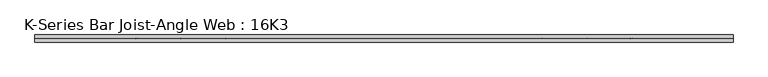
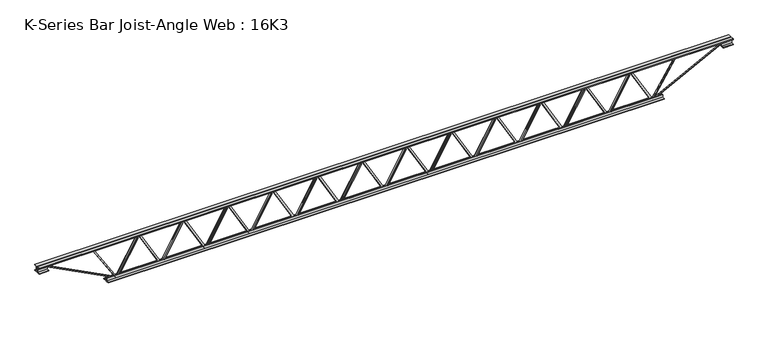
"""IFC4 building model written with IfcOpenShell, lengths in millimetres: beam geometry, K-Series Bar Joist-Angle Web : 16K3."""

from ifc_helpers import new_model, si_unit, frame, origin, place, context, project, spatial, polyline, outline, extrude, faceted_brep, source, transform, mapped, element, save


def k_series_bar_joist_angle_web_16k3_f30d6e02(model_context):
    return source(origin(), model_context, "Body", "SolidModel", [
        extrude(outline(polyline([(-4.7625, 4.7624999), (-4.7625, 0.0), (-17.4625, 0.0), (-17.4625, 4.7624999), (-4.7625, 4.7624999)])), frame((2270.0582159, 0.0, -165.1), z_axis=(-0.4957491922184158, 0.0, 0.8684657381928134), x_axis=(0.0, -1.0, 0.0)), (0.0, 0.0, 1.0), 380.2107389),
        extrude(outline(polyline([(-200.025, 2301.875), (-180.975, 2301.875), (-180.975, 2301.05543), (200.025, 2083.56793), (200.025, 2065.3375), (180.975, 2065.3375), (180.975, 2072.50707), (-200.025, 2289.99457), (-200.025, 2301.875)])), frame((0.0, 0.0, 0.0), z_axis=(0.0, 1.0, 0.0), x_axis=(0.0, 0.0, 1.0)), (0.0, 0.0, 1.0), 4.7625),
        faceted_brep([(1841.5, 0.0, -180.975), (1841.5, 0.0, -200.025), (1841.5, -4.7625, -200.025), (1841.5, -4.7625, -180.975), (1842.31957, 0.0, -180.975), (2059.80707, 0.0, 200.025), (2078.0375, 0.0, 200.025), (2078.0375, 0.0, 180.975), (2070.86793, 0.0, 180.975), (1853.38043, 0.0, -200.025), (1853.38043, -4.7625, -200.025), (1873.3167841, -4.7625, -165.1), (1869.1807161, -4.7625, -162.7389945), (2057.6698827, -4.7625, 167.4610055), (2061.8059508, -4.7625, 165.1), (2070.86793, -4.7625, 180.975), (2078.0375, -4.7625, 180.975), (2078.0375, -4.7625, 200.025), (2059.80707, -4.7625, 200.025), (1842.31957, -4.7625, -180.975), (2061.8059508, -17.4625, 165.1), (1873.3167841, -17.4625, -165.1), (1869.1807161, -17.4625, -162.7389945), (2057.6698827, -17.4625, 167.4610055)], [[[0, 1, 2, 3]], [[1, 0, 4, 5, 6, 7, 8, 9]], [[2, 1, 9, 10]], [[3, 2, 10, 11, 12, 13, 14, 15, 16, 17, 18, 19]], [[0, 3, 19, 4]], [[9, 8, 15, 14, 20, 21, 11, 10]], [[5, 4, 19, 18]], [[7, 6, 17, 16]], [[8, 7, 16, 15]], [[6, 5, 18, 17]], [[21, 22, 12, 11]], [[20, 14, 13, 23]], [[22, 21, 20, 23]], [[12, 22, 23, 13]]]),
        extrude(outline(polyline([(-4.7625, 4.7624999), (-4.7625, 0.0), (-17.4625, 0.0), (-17.4625, 4.7624999), (-4.7625, 4.7624999)])), frame((1809.6832159, 0.0, -165.1), z_axis=(-0.4957491922184158, 0.0, 0.8684657381928134), x_axis=(0.0, -1.0, 0.0)), (0.0, 0.0, 1.0), 380.2107389),
        extrude(outline(polyline([(-200.025, 1841.5), (-180.975, 1841.5), (-180.975, 1840.68043), (200.025, 1623.19293), (200.025, 1604.9625), (180.975, 1604.9625), (180.975, 1612.13207), (-200.025, 1829.61957), (-200.025, 1841.5)])), frame((0.0, 0.0, 0.0), z_axis=(0.0, 1.0, 0.0), x_axis=(0.0, 0.0, 1.0)), (0.0, 0.0, 1.0), 4.7625),
        faceted_brep([(1381.125, 0.0, -180.975), (1381.125, 0.0, -200.025), (1381.125, -4.7625, -200.025), (1381.125, -4.7625, -180.975), (1381.94457, 0.0, -180.975), (1599.43207, 0.0, 200.025), (1617.6625, 0.0, 200.025), (1617.6625, 0.0, 180.975), (1610.49293, 0.0, 180.975), (1393.00543, 0.0, -200.025), (1393.00543, -4.7625, -200.025), (1412.9417841, -4.7625, -165.1), (1408.8057161, -4.7625, -162.7389945), (1597.2948827, -4.7625, 167.4610055), (1601.4309508, -4.7625, 165.1), (1610.49293, -4.7625, 180.975), (1617.6625, -4.7625, 180.975), (1617.6625, -4.7625, 200.025), (1599.43207, -4.7625, 200.025), (1381.94457, -4.7625, -180.975), (1601.4309508, -17.4625, 165.1), (1412.9417841, -17.4625, -165.1), (1408.8057161, -17.4625, -162.7389945), (1597.2948827, -17.4625, 167.4610055)], [[[0, 1, 2, 3]], [[1, 0, 4, 5, 6, 7, 8, 9]], [[2, 1, 9, 10]], [[3, 2, 10, 11, 12, 13, 14, 15, 16, 17, 18, 19]], [[0, 3, 19, 4]], [[9, 8, 15, 14, 20, 21, 11, 10]], [[5, 4, 19, 18]], [[7, 6, 17, 16]], [[8, 7, 16, 15]], [[6, 5, 18, 17]], [[21, 22, 12, 11]], [[20, 14, 13, 23]], [[22, 21, 20, 23]], [[12, 22, 23, 13]]]),
        extrude(outline(polyline([(-4.7625, 4.7624999), (-4.7625, 0.0), (-17.4625, 0.0), (-17.4625, 4.7624999), (-4.7625, 4.7624999)])), frame((1349.3082159, 0.0, -165.1), z_axis=(-0.4957491922184158, 0.0, 0.8684657381928134), x_axis=(0.0, -1.0, 0.0)), (0.0, 0.0, 1.0), 380.2107389),
        extrude(outline(polyline([(-200.025, 1381.125), (-180.975, 1381.125), (-180.975, 1380.30543), (200.025, 1162.81793), (200.025, 1144.5875), (180.975, 1144.5875), (180.975, 1151.75707), (-200.025, 1369.24457), (-200.025, 1381.125)])), frame((0.0, 0.0, 0.0), z_axis=(0.0, 1.0, 0.0), x_axis=(0.0, 0.0, 1.0)), (0.0, 0.0, 1.0), 4.7625),
        faceted_brep([(920.75, 0.0, -180.975), (920.75, 0.0, -200.025), (920.75, -4.7625, -200.025), (920.75, -4.7625, -180.975), (921.56957, 0.0, -180.975), (1139.05707, 0.0, 200.025), (1157.2875, 0.0, 200.025), (1157.2875, 0.0, 180.975), (1150.11793, 0.0, 180.975), (932.63043, 0.0, -200.025), (932.63043, -4.7625, -200.025), (952.5667841, -4.7625, -165.1), (948.4307161, -4.7625, -162.7389945), (1136.9198827, -4.7625, 167.4610055), (1141.0559508, -4.7625, 165.1), (1150.11793, -4.7625, 180.975), (1157.2875, -4.7625, 180.975), (1157.2875, -4.7625, 200.025), (1139.05707, -4.7625, 200.025), (921.56957, -4.7625, -180.975), (1141.0559508, -17.4625, 165.1), (952.5667841, -17.4625, -165.1), (948.4307161, -17.4625, -162.7389945), (1136.9198827, -17.4625, 167.4610055)], [[[0, 1, 2, 3]], [[1, 0, 4, 5, 6, 7, 8, 9]], [[2, 1, 9, 10]], [[3, 2, 10, 11, 12, 13, 14, 15, 16, 17, 18, 19]], [[0, 3, 19, 4]], [[9, 8, 15, 14, 20, 21, 11, 10]], [[5, 4, 19, 18]], [[7, 6, 17, 16]], [[8, 7, 16, 15]], [[6, 5, 18, 17]], [[21, 22, 12, 11]], [[20, 14, 13, 23]], [[22, 21, 20, 23]], [[12, 22, 23, 13]]]),
        extrude(outline(polyline([(-4.7625, 4.7624999), (-4.7625, 0.0), (-17.4625, 0.0), (-17.4625, 4.7624999), (-4.7625, 4.7624999)])), frame((888.9332159, 0.0, -165.1), z_axis=(-0.4957491922184158, 0.0, 0.8684657381928134), x_axis=(0.0, -1.0, 0.0)), (0.0, 0.0, 1.0), 380.2107389),
        extrude(outline(polyline([(-200.025, 920.75), (-180.975, 920.75), (-180.975, 919.93043), (200.025, 702.44293), (200.025, 684.2125), (180.975, 684.2125), (180.975, 691.38207), (-200.025, 908.86957), (-200.025, 920.75)])), frame((0.0, 0.0, 0.0), z_axis=(0.0, 1.0, 0.0), x_axis=(0.0, 0.0, 1.0)), (0.0, 0.0, 1.0), 4.7625),
        faceted_brep([(460.375, 0.0, -180.975), (460.375, 0.0, -200.025), (460.375, -4.7625, -200.025), (460.375, -4.7625, -180.975), (461.19457, 0.0, -180.975), (678.68207, 0.0, 200.025), (696.9125, 0.0, 200.025), (696.9125, 0.0, 180.975), (689.74293, 0.0, 180.975), (472.25543, 0.0, -200.025), (472.25543, -4.7625, -200.025), (492.1917841, -4.7625, -165.1), (488.0557161, -4.7625, -162.7389945), (676.5448827, -4.7625, 167.4610055), (680.6809508, -4.7625, 165.1), (689.74293, -4.7625, 180.975), (696.9125, -4.7625, 180.975), (696.9125, -4.7625, 200.025), (678.68207, -4.7625, 200.025), (461.19457, -4.7625, -180.975), (680.6809508, -17.4625, 165.1), (492.1917841, -17.4625, -165.1), (488.0557161, -17.4625, -162.7389945), (676.5448827, -17.4625, 167.4610055)], [[[0, 1, 2, 3]], [[1, 0, 4, 5, 6, 7, 8, 9]], [[2, 1, 9, 10]], [[3, 2, 10, 11, 12, 13, 14, 15, 16, 17, 18, 19]], [[0, 3, 19, 4]], [[9, 8, 15, 14, 20, 21, 11, 10]], [[5, 4, 19, 18]], [[7, 6, 17, 16]], [[8, 7, 16, 15]], [[6, 5, 18, 17]], [[21, 22, 12, 11]], [[20, 14, 13, 23]], [[22, 21, 20, 23]], [[12, 22, 23, 13]]]),
        extrude(outline(polyline([(-4.7625, 4.7624999), (-4.7625, 0.0), (-17.4625, 0.0), (-17.4625, 4.7624999), (-4.7625, 4.7624999)])), frame((428.5582159, 0.0, -165.1), z_axis=(-0.4957491922184158, 0.0, 0.8684657381928134), x_axis=(0.0, -1.0, 0.0)), (0.0, 0.0, 1.0), 380.2107389),
        extrude(outline(polyline([(-200.025, 460.375), (-180.975, 460.375), (-180.975, 459.55543), (200.025, 242.06793), (200.025, 223.8375), (180.975, 223.8375), (180.975, 231.00707), (-200.025, 448.49457), (-200.025, 460.375)])), frame((0.0, 0.0, 0.0), z_axis=(0.0, 1.0, 0.0), x_axis=(0.0, 0.0, 1.0)), (0.0, 0.0, 1.0), 4.7625),
        faceted_brep([(0.0, 0.0, -180.975), (0.0, 0.0, -200.025), (0.0, -4.7625, -200.025), (0.0, -4.7625, -180.975), (0.81957, 0.0, -180.975), (218.30707, 0.0, 200.025), (236.5375, 0.0, 200.025), (236.5375, 0.0, 180.975), (229.36793, 0.0, 180.975), (11.88043, 0.0, -200.025), (11.88043, -4.7625, -200.025), (31.8167841, -4.7625, -165.1), (27.6807161, -4.7625, -162.7389945), (216.1698827, -4.7625, 167.4610055), (220.3059508, -4.7625, 165.1), (229.36793, -4.7625, 180.975), (236.5375, -4.7625, 180.975), (236.5375, -4.7625, 200.025), (218.30707, -4.7625, 200.025), (0.81957, -4.7625, -180.975), (220.3059508, -17.4625, 165.1), (31.8167841, -17.4625, -165.1), (27.6807161, -17.4625, -162.7389945), (216.1698827, -17.4625, 167.4610055)], [[[0, 1, 2, 3]], [[1, 0, 4, 5, 6, 7, 8, 9]], [[2, 1, 9, 10]], [[3, 2, 10, 11, 12, 13, 14, 15, 16, 17, 18, 19]], [[0, 3, 19, 4]], [[9, 8, 15, 14, 20, 21, 11, 10]], [[5, 4, 19, 18]], [[7, 6, 17, 16]], [[8, 7, 16, 15]], [[6, 5, 18, 17]], [[21, 22, 12, 11]], [[20, 14, 13, 23]], [[22, 21, 20, 23]], [[12, 22, 23, 13]]]),
        extrude(outline(polyline([(-4.7625, 4.7624999), (-4.7625, 0.0), (-17.4625, 0.0), (-17.4625, 4.7624999), (-4.7625, 4.7624999)])), frame((-31.8167841, 0.0, -165.1), z_axis=(-0.4957491922184158, 0.0, 0.8684657381928134), x_axis=(0.0, -1.0, 0.0)), (0.0, 0.0, 1.0), 380.2107389),
        extrude(outline(polyline([(-200.025, 0.0), (-180.975, 0.0), (-180.975, -0.81957), (200.025, -218.30707), (200.025, -236.5375), (180.975, -236.5375), (180.975, -229.36793), (-200.025, -11.88043), (-200.025, 0.0)])), frame((0.0, 0.0, 0.0), z_axis=(0.0, 1.0, 0.0), x_axis=(0.0, 0.0, 1.0)), (0.0, 0.0, 1.0), 4.7625),
        faceted_brep([(-460.375, 0.0, -180.975), (-460.375, 0.0, -200.025), (-460.375, -4.7625, -200.025), (-460.375, -4.7625, -180.975), (-459.55543, 0.0, -180.975), (-242.06793, 0.0, 200.025), (-223.8375, 0.0, 200.025), (-223.8375, 0.0, 180.975), (-231.00707, 0.0, 180.975), (-448.49457, 0.0, -200.025), (-448.49457, -4.7625, -200.025), (-428.5582159, -4.7625, -165.1), (-432.6942839, -4.7625, -162.7389945), (-244.2051173, -4.7625, 167.4610055), (-240.0690492, -4.7625, 165.1), (-231.00707, -4.7625, 180.975), (-223.8375, -4.7625, 180.975), (-223.8375, -4.7625, 200.025), (-242.06793, -4.7625, 200.025), (-459.55543, -4.7625, -180.975), (-240.0690492, -17.4625, 165.1), (-428.5582159, -17.4625, -165.1), (-432.6942839, -17.4625, -162.7389945), (-244.2051173, -17.4625, 167.4610055)], [[[0, 1, 2, 3]], [[1, 0, 4, 5, 6, 7, 8, 9]], [[2, 1, 9, 10]], [[3, 2, 10, 11, 12, 13, 14, 15, 16, 17, 18, 19]], [[0, 3, 19, 4]], [[9, 8, 15, 14, 20, 21, 11, 10]], [[5, 4, 19, 18]], [[7, 6, 17, 16]], [[8, 7, 16, 15]], [[6, 5, 18, 17]], [[21, 22, 12, 11]], [[20, 14, 13, 23]], [[22, 21, 20, 23]], [[12, 22, 23, 13]]]),
        extrude(outline(polyline([(-4.7625, 4.7624999), (-4.7625, 0.0), (-17.4625, 0.0), (-17.4625, 4.7624999), (-4.7625, 4.7624999)])), frame((-492.1917841, 0.0, -165.1), z_axis=(-0.4957491922184158, 0.0, 0.8684657381928134), x_axis=(0.0, -1.0, 0.0)), (0.0, 0.0, 1.0), 380.2107389),
        extrude(outline(polyline([(-200.025, -460.375), (-180.975, -460.375), (-180.975, -461.19457), (200.025, -678.68207), (200.025, -696.9125), (180.975, -696.9125), (180.975, -689.74293), (-200.025, -472.25543), (-200.025, -460.375)])), frame((0.0, 0.0, 0.0), z_axis=(0.0, 1.0, 0.0), x_axis=(0.0, 0.0, 1.0)), (0.0, 0.0, 1.0), 4.7625),
        faceted_brep([(-920.75, 0.0, -180.975), (-920.75, 0.0, -200.025), (-920.75, -4.7625, -200.025), (-920.75, -4.7625, -180.975), (-919.93043, 0.0, -180.975), (-702.44293, 0.0, 200.025), (-684.2125, 0.0, 200.025), (-684.2125, 0.0, 180.975), (-691.38207, 0.0, 180.975), (-908.86957, 0.0, -200.025), (-908.86957, -4.7625, -200.025), (-888.9332159, -4.7625, -165.1), (-893.0692839, -4.7625, -162.7389945), (-704.5801173, -4.7625, 167.4610055), (-700.4440492, -4.7625, 165.1), (-691.38207, -4.7625, 180.975), (-684.2125, -4.7625, 180.975), (-684.2125, -4.7625, 200.025), (-702.44293, -4.7625, 200.025), (-919.93043, -4.7625, -180.975), (-700.4440492, -17.4625, 165.1), (-888.9332159, -17.4625, -165.1), (-893.0692839, -17.4625, -162.7389945), (-704.5801173, -17.4625, 167.4610055)], [[[0, 1, 2, 3]], [[1, 0, 4, 5, 6, 7, 8, 9]], [[2, 1, 9, 10]], [[3, 2, 10, 11, 12, 13, 14, 15, 16, 17, 18, 19]], [[0, 3, 19, 4]], [[9, 8, 15, 14, 20, 21, 11, 10]], [[5, 4, 19, 18]], [[7, 6, 17, 16]], [[8, 7, 16, 15]], [[6, 5, 18, 17]], [[21, 22, 12, 11]], [[20, 14, 13, 23]], [[22, 21, 20, 23]], [[12, 22, 23, 13]]]),
        extrude(outline(polyline([(-4.7625, 4.7624999), (-4.7625, 0.0), (-17.4625, 0.0), (-17.4625, 4.7624999), (-4.7625, 4.7624999)])), frame((-952.5667841, 0.0, -165.1), z_axis=(-0.4957491922184158, 0.0, 0.8684657381928134), x_axis=(0.0, -1.0, 0.0)), (0.0, 0.0, 1.0), 380.2107389),
        extrude(outline(polyline([(-200.025, -920.75), (-180.975, -920.75), (-180.975, -921.56957), (200.025, -1139.05707), (200.025, -1157.2875), (180.975, -1157.2875), (180.975, -1150.11793), (-200.025, -932.63043), (-200.025, -920.75)])), frame((0.0, 0.0, 0.0), z_axis=(0.0, 1.0, 0.0), x_axis=(0.0, 0.0, 1.0)), (0.0, 0.0, 1.0), 4.7625),
        faceted_brep([(-1381.125, 0.0, -180.975), (-1381.125, 0.0, -200.025), (-1381.125, -4.7625, -200.025), (-1381.125, -4.7625, -180.975), (-1380.30543, 0.0, -180.975), (-1162.81793, 0.0, 200.025), (-1144.5875, 0.0, 200.025), (-1144.5875, 0.0, 180.975), (-1151.75707, 0.0, 180.975), (-1369.24457, 0.0, -200.025), (-1369.24457, -4.7625, -200.025), (-1349.3082159, -4.7625, -165.1), (-1353.4442839, -4.7625, -162.7389945), (-1164.9551173, -4.7625, 167.4610055), (-1160.8190492, -4.7625, 165.1), (-1151.75707, -4.7625, 180.975), (-1144.5875, -4.7625, 180.975), (-1144.5875, -4.7625, 200.025), (-1162.81793, -4.7625, 200.025), (-1380.30543, -4.7625, -180.975), (-1160.8190492, -17.4625, 165.1), (-1349.3082159, -17.4625, -165.1), (-1353.4442839, -17.4625, -162.7389945), (-1164.9551173, -17.4625, 167.4610055)], [[[0, 1, 2, 3]], [[1, 0, 4, 5, 6, 7, 8, 9]], [[2, 1, 9, 10]], [[3, 2, 10, 11, 12, 13, 14, 15, 16, 17, 18, 19]], [[0, 3, 19, 4]], [[9, 8, 15, 14, 20, 21, 11, 10]], [[5, 4, 19, 18]], [[7, 6, 17, 16]], [[8, 7, 16, 15]], [[6, 5, 18, 17]], [[21, 22, 12, 11]], [[20, 14, 13, 23]], [[22, 21, 20, 23]], [[12, 22, 23, 13]]]),
        extrude(outline(polyline([(-4.7625, 4.7624999), (-4.7625, 0.0), (-17.4625, 0.0), (-17.4625, 4.7624999), (-4.7625, 4.7624999)])), frame((-1412.9417841, 0.0, -165.1), z_axis=(-0.4957491922184158, 0.0, 0.8684657381928134), x_axis=(0.0, -1.0, 0.0)), (0.0, 0.0, 1.0), 380.2107389),
        extrude(outline(polyline([(-200.025, -1381.125), (-180.975, -1381.125), (-180.975, -1381.94457), (200.025, -1599.43207), (200.025, -1617.6625), (180.975, -1617.6625), (180.975, -1610.49293), (-200.025, -1393.00543), (-200.025, -1381.125)])), frame((0.0, 0.0, 0.0), z_axis=(0.0, 1.0, 0.0), x_axis=(0.0, 0.0, 1.0)), (0.0, 0.0, 1.0), 4.7625),
        faceted_brep([(-1841.5, 0.0, -180.975), (-1841.5, 0.0, -200.025), (-1841.5, -4.7625, -200.025), (-1841.5, -4.7625, -180.975), (-1840.68043, 0.0, -180.975), (-1623.19293, 0.0, 200.025), (-1604.9625, 0.0, 200.025), (-1604.9625, 0.0, 180.975), (-1612.13207, 0.0, 180.975), (-1829.61957, 0.0, -200.025), (-1829.61957, -4.7625, -200.025), (-1809.6832159, -4.7625, -165.1), (-1813.8192839, -4.7625, -162.7389945), (-1625.3301173, -4.7625, 167.4610055), (-1621.1940492, -4.7625, 165.1), (-1612.13207, -4.7625, 180.975), (-1604.9625, -4.7625, 180.975), (-1604.9625, -4.7625, 200.025), (-1623.19293, -4.7625, 200.025), (-1840.68043, -4.7625, -180.975), (-1621.1940492, -17.4625, 165.1), (-1809.6832159, -17.4625, -165.1), (-1813.8192839, -17.4625, -162.7389945), (-1625.3301173, -17.4625, 167.4610055)], [[[0, 1, 2, 3]], [[1, 0, 4, 5, 6, 7, 8, 9]], [[2, 1, 9, 10]], [[3, 2, 10, 11, 12, 13, 14, 15, 16, 17, 18, 19]], [[0, 3, 19, 4]], [[9, 8, 15, 14, 20, 21, 11, 10]], [[5, 4, 19, 18]], [[7, 6, 17, 16]], [[8, 7, 16, 15]], [[6, 5, 18, 17]], [[21, 22, 12, 11]], [[20, 14, 13, 23]], [[22, 21, 20, 23]], [[12, 22, 23, 13]]]),
        extrude(outline(polyline([(-4.7625, 4.7624999), (-4.7625, 0.0), (-17.4625, 0.0), (-17.4625, 4.7624999), (-4.7625, 4.7624999)])), frame((-1873.3167841, 0.0, -165.1), z_axis=(-0.4957491922184158, 0.0, 0.8684657381928134), x_axis=(0.0, -1.0, 0.0)), (0.0, 0.0, 1.0), 380.2107389),
        extrude(outline(polyline([(-200.025, -1841.5), (-180.975, -1841.5), (-180.975, -1842.31957), (200.025, -2059.80707), (200.025, -2078.0375), (180.975, -2078.0375), (180.975, -2070.86793), (-200.025, -1853.38043), (-200.025, -1841.5)])), frame((0.0, 0.0, 0.0), z_axis=(0.0, 1.0, 0.0), x_axis=(0.0, 0.0, 1.0)), (0.0, 0.0, 1.0), 4.7625),
        faceted_brep([(-2301.875, 0.0, -180.975), (-2301.875, 0.0, -200.025), (-2301.875, -4.7625, -200.025), (-2301.875, -4.7625, -180.975), (-2301.05543, 0.0, -180.975), (-2083.56793, 0.0, 200.025), (-2065.3375, 0.0, 200.025), (-2065.3375, 0.0, 180.975), (-2072.50707, 0.0, 180.975), (-2289.99457, 0.0, -200.025), (-2289.99457, -4.7625, -200.025), (-2270.0582159, -4.7625, -165.1), (-2274.1942839, -4.7625, -162.7389945), (-2085.7051173, -4.7625, 167.4610055), (-2081.5690492, -4.7625, 165.1), (-2072.50707, -4.7625, 180.975), (-2065.3375, -4.7625, 180.975), (-2065.3375, -4.7625, 200.025), (-2083.56793, -4.7625, 200.025), (-2301.05543, -4.7625, -180.975), (-2081.5690492, -17.4625, 165.1), (-2270.0582159, -17.4625, -165.1), (-2274.1942839, -17.4625, -162.7389945), (-2085.7051173, -17.4625, 167.4610055)], [[[0, 1, 2, 3]], [[1, 0, 4, 5, 6, 7, 8, 9]], [[2, 1, 9, 10]], [[3, 2, 10, 11, 12, 13, 14, 15, 16, 17, 18, 19]], [[0, 3, 19, 4]], [[9, 8, 15, 14, 20, 21, 11, 10]], [[5, 4, 19, 18]], [[7, 6, 17, 16]], [[8, 7, 16, 15]], [[6, 5, 18, 17]], [[21, 22, 12, 11]], [[20, 14, 13, 23]], [[22, 21, 20, 23]], [[12, 22, 23, 13]]]),
        extrude(outline(polyline([(-4.7625, 4.7624999), (-4.7625, 0.0), (-17.4625, 0.0), (-17.4625, 4.7624999), (-4.7625, 4.7624999)])), frame((2730.4332159, 0.0, -165.1), z_axis=(-0.4957491922184158, 0.0, 0.8684657381928134), x_axis=(0.0, -1.0, 0.0)), (0.0, 0.0, 1.0), 380.2107389),
        extrude(outline(polyline([(-200.025, 2762.25), (-180.975, 2762.25), (-180.975, 2761.43043), (200.025, 2543.94293), (200.025, 2525.7125), (180.975, 2525.7125), (180.975, 2532.88207), (-200.025, 2750.36957), (-200.025, 2762.25)])), frame((0.0, 0.0, 0.0), z_axis=(0.0, 1.0, 0.0), x_axis=(0.0, 0.0, 1.0)), (0.0, 0.0, 1.0), 4.7625),
        faceted_brep([(2301.875, 0.0, -180.975), (2301.875, 0.0, -200.025), (2301.875, -4.7625, -200.025), (2301.875, -4.7625, -180.975), (2302.69457, 0.0, -180.975), (2520.18207, 0.0, 200.025), (2538.4125, 0.0, 200.025), (2538.4125, 0.0, 180.975), (2531.24293, 0.0, 180.975), (2313.75543, 0.0, -200.025), (2313.75543, -4.7625, -200.025), (2333.6917841, -4.7625, -165.1), (2329.5557161, -4.7625, -162.7389945), (2518.0448827, -4.7625, 167.4610055), (2522.1809508, -4.7625, 165.1), (2531.24293, -4.7625, 180.975), (2538.4125, -4.7625, 180.975), (2538.4125, -4.7625, 200.025), (2520.18207, -4.7625, 200.025), (2302.69457, -4.7625, -180.975), (2522.1809508, -17.4625, 165.1), (2333.6917841, -17.4625, -165.1), (2329.5557161, -17.4625, -162.7389945), (2518.0448827, -17.4625, 167.4610055)], [[[0, 1, 2, 3]], [[1, 0, 4, 5, 6, 7, 8, 9]], [[2, 1, 9, 10]], [[3, 2, 10, 11, 12, 13, 14, 15, 16, 17, 18, 19]], [[0, 3, 19, 4]], [[9, 8, 15, 14, 20, 21, 11, 10]], [[5, 4, 19, 18]], [[7, 6, 17, 16]], [[8, 7, 16, 15]], [[6, 5, 18, 17]], [[21, 22, 12, 11]], [[20, 14, 13, 23]], [[22, 21, 20, 23]], [[12, 22, 23, 13]]]),
        extrude(outline(polyline([(-4.7625, 4.7624999), (-4.7625, 0.0), (-17.4625, 0.0), (-17.4625, 4.7624999), (-4.7625, 4.7624999)])), frame((-2333.6917841, 0.0, -165.1), z_axis=(-0.4957491922184158, 0.0, 0.8684657381928134), x_axis=(0.0, -1.0, 0.0)), (0.0, 0.0, 1.0), 380.2107389),
        extrude(outline(polyline([(-200.025, -2301.875), (-180.975, -2301.875), (-180.975, -2302.69457), (200.025, -2520.18207), (200.025, -2538.4125), (180.975, -2538.4125), (180.975, -2531.24293), (-200.025, -2313.75543), (-200.025, -2301.875)])), frame((0.0, 0.0, 0.0), z_axis=(0.0, 1.0, 0.0), x_axis=(0.0, 0.0, 1.0)), (0.0, 0.0, 1.0), 4.7625),
        faceted_brep([(-2762.25, 0.0, -180.975), (-2762.25, 0.0, -200.025), (-2762.25, -4.7625, -200.025), (-2762.25, -4.7625, -180.975), (-2761.43043, 0.0, -180.975), (-2543.94293, 0.0, 200.025), (-2525.7125, 0.0, 200.025), (-2525.7125, 0.0, 180.975), (-2532.88207, 0.0, 180.975), (-2750.36957, 0.0, -200.025), (-2750.36957, -4.7625, -200.025), (-2730.4332159, -4.7625, -165.1), (-2734.5692839, -4.7625, -162.7389945), (-2546.0801173, -4.7625, 167.4610055), (-2541.9440492, -4.7625, 165.1), (-2532.88207, -4.7625, 180.975), (-2525.7125, -4.7625, 180.975), (-2525.7125, -4.7625, 200.025), (-2543.94293, -4.7625, 200.025), (-2761.43043, -4.7625, -180.975), (-2541.9440492, -17.4625, 165.1), (-2730.4332159, -17.4625, -165.1), (-2734.5692839, -17.4625, -162.7389945), (-2546.0801173, -17.4625, 167.4610055)], [[[0, 1, 2, 3]], [[1, 0, 4, 5, 6, 7, 8, 9]], [[2, 1, 9, 10]], [[3, 2, 10, 11, 12, 13, 14, 15, 16, 17, 18, 19]], [[0, 3, 19, 4]], [[9, 8, 15, 14, 20, 21, 11, 10]], [[5, 4, 19, 18]], [[7, 6, 17, 16]], [[8, 7, 16, 15]], [[6, 5, 18, 17]], [[21, 22, 12, 11]], [[20, 14, 13, 23]], [[22, 21, 20, 23]], [[12, 22, 23, 13]]]),
        extrude(outline(polyline([(4.7625, 203.2), (36.5125, 203.2), (36.5125, 196.85), (11.1125, 196.85), (11.1125, 171.45), (4.7625, 171.45), (4.7625, 203.2)])), frame((-3575.05, 0.0, 0.0), z_axis=(1.0, 0.0, 0.0), x_axis=(0.0, 1.0, 0.0)), (0.0, 0.0, 1.0), 7150.1),
        extrude(outline(polyline([(-4.7625, 203.2), (-4.7625, 171.45), (-11.1125, 171.45), (-11.1125, 196.85), (-36.5125, 196.85), (-36.5125, 203.2), (-4.7625, 203.2)])), frame((-3575.05, 0.0, 0.0), z_axis=(1.0, 0.0, 0.0), x_axis=(0.0, 1.0, 0.0)), (0.0, 0.0, 1.0), 7150.1),
        extrude(outline(polyline([(-4.7625, 139.7), (-36.5125, 139.7), (-36.5125, 146.05), (-11.1125, 146.05), (-11.1125, 171.45), (-4.7625, 171.45), (-4.7625, 139.7)])), frame((-3575.05, 0.0, 0.0), z_axis=(1.0, 0.0, 0.0), x_axis=(0.0, 1.0, 0.0)), (0.0, 0.0, 1.0), 101.6),
        extrude(outline(polyline([(36.5125, 139.7), (4.7625, 139.7), (4.7625, 171.45), (11.1125, 171.45), (11.1125, 146.05), (36.5125, 146.05), (36.5125, 139.7)])), frame((-3575.05, 0.0, 0.0), z_axis=(1.0, 0.0, 0.0), x_axis=(0.0, 1.0, 0.0)), (0.0, 0.0, 1.0), 101.6),
        extrude(outline(polyline([(4.7625, 139.7), (4.7625, 171.45), (11.1125, 171.45), (11.1125, 146.05), (36.5125, 146.05), (36.5125, 139.7), (4.7625, 139.7)])), frame((3473.45, 0.0, 0.0), z_axis=(1.0, 0.0, 0.0), x_axis=(0.0, 1.0, 0.0)), (0.0, 0.0, 1.0), 101.6),
        extrude(outline(polyline([(-4.7625, 139.7), (-36.5125, 139.7), (-36.5125, 146.05), (-11.1125, 146.05), (-11.1125, 171.45), (-4.7625, 171.45), (-4.7625, 139.7)])), frame((3473.45, 0.0, 0.0), z_axis=(1.0, 0.0, 0.0), x_axis=(0.0, 1.0, 0.0)), (0.0, 0.0, 1.0), 101.6),
        extrude(outline(polyline([(4.7625, -203.2), (4.7625, -171.45), (11.1125, -171.45), (11.1125, -196.85), (36.5125, -196.85), (36.5125, -203.2), (4.7625, -203.2)])), frame((-2863.85, 0.0, 0.0), z_axis=(1.0, 0.0, 0.0), x_axis=(0.0, 1.0, 0.0)), (0.0, 0.0, 1.0), 5727.7),
        extrude(outline(polyline([(-4.7625, -203.2), (-36.5125, -203.2), (-36.5125, -196.85), (-11.1125, -196.85), (-11.1125, -171.45), (-4.7625, -171.45), (-4.7625, -203.2)])), frame((-2863.85, 0.0, 0.0), z_axis=(1.0, 0.0, 0.0), x_axis=(0.0, 1.0, 0.0)), (0.0, 0.0, 1.0), 5727.7),
        extrude(outline(polyline([(4.7625, 4.7625), (4.7625, -4.7625), (-4.7625, -4.7625), (-4.7625, 4.7625), (4.7625, 4.7625)])), frame((2762.25, 0.0, -196.85), z_axis=(0.5299989400036561, 0.0, 0.8479983040047904), x_axis=(0.0, -1.0, 0.0)), (0.0, 0.0, 1.0), 434.3169064),
        extrude(outline(polyline([(4.7625, 4.7625), (4.7625, -4.7625), (-4.7625, -4.7625), (-4.7625, 4.7625), (4.7625, 4.7625)])), frame((-2762.25, 0.0, -196.85), z_axis=(-0.529998940003626, 0.0, 0.8479983040048094), x_axis=(0.0, -1.0, 0.0)), (0.0, 0.0, 1.0), 434.3169064),
        extrude(outline(polyline([(0.0, -9.525), (0.0, 0.0), (800.9059433, 0.0), (800.9059433, -9.525), (0.0, -9.525)])), frame((3475.6400559, -4.7625, 167.2209266), z_axis=(-0.45985424766101624, 0.0, 0.8879944092775138), x_axis=(-0.8879944092775138, 0.0, -0.45985424766101624)), (0.0, 0.0, 1.0), 9.525),
        extrude(outline(polyline([(0.0, -9.525), (0.0, 0.0), (800.9059433, 0.0), (800.9059433, -9.525), (0.0, -9.525)])), frame((-3475.6400559, 4.7625, 167.2209266), z_axis=(0.4598542476610131, 0.0, 0.8879944092775155), x_axis=(0.8879944092775155, 0.0, -0.4598542476610131)), (0.0, 0.0, 1.0), 9.525),
    ])


if __name__ == "__main__":
    model = new_model("IFC4")
    model_context = context("Model", 3, world=origin())
    ifc_project = project(units=[si_unit("LENGTHUNIT", "METRE", prefix="MILLI")], contexts=[model_context])
    site = spatial("IfcSite", under=ifc_project)
    building = spatial("IfcBuilding", under=site)
    placement = place(None, origin())
    k_series_bar_joist_angle_web_16k3_shape = k_series_bar_joist_angle_web_16k3_f30d6e02(model_context)
    element("IfcBeam", 1, ObjectType="K-Series Bar Joist-Angle Web : 16K3", at=placement, inside=building, context=model_context, shape_type="MappedRepresentation", body=[
        mapped(k_series_bar_joist_angle_web_16k3_shape, transform((0.0, 0.0, 0.0), x_axis=(1.0, 0.0, 0.0), y_axis=(0.0, 1.0, 0.0), z_axis=(0.0, 0.0, 1.0))),
    ])
    save(model, "model.ifc")
